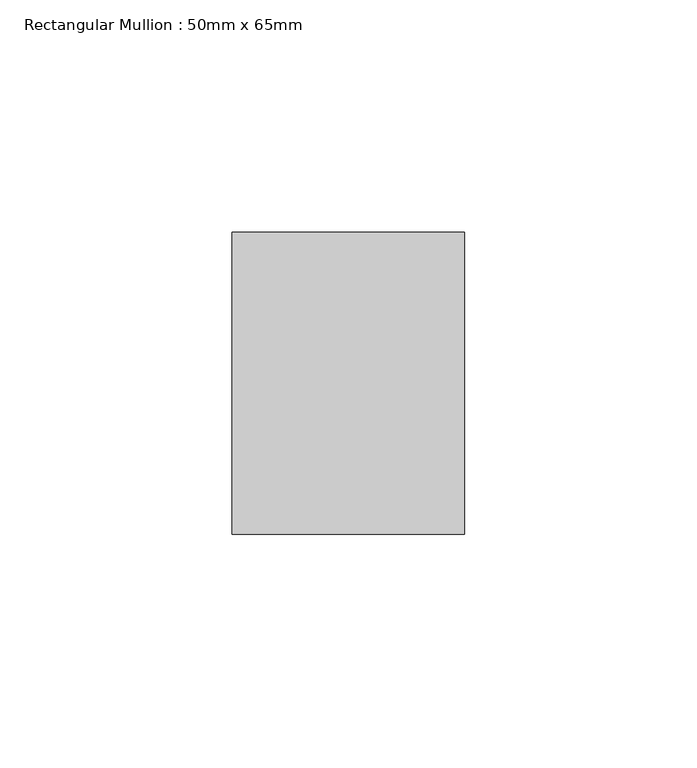
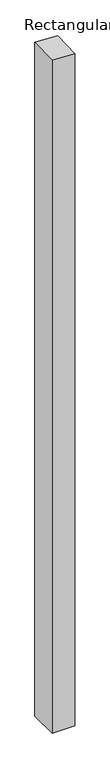
"""IFC4 building model written with IfcOpenShell, lengths in millimetres: member geometry, Rectangular Mullion : 50mm x 65mm."""

from ifc_helpers import new_model, si_unit, origin, place, context, project, spatial, faceted_brep, source, transform, mapped, element, save


def rectangular_mullion_50mm_x_65mm_e3ccd2e0(model_context):
    return source(origin(), model_context, "Body", "Brep", [
        faceted_brep([(25.0, 32.5, -1554.5462511), (25.0, -32.5, -1554.5462511), (-25.0, -32.5, -1554.5462511), (-25.0, 32.5, -1554.5462511), (-25.0, 32.5, 2.1527437), (25.0, 32.5, -0.0780066), (-25.0, -32.5, 0.0780066), (25.0, -32.5, -2.1527437)], [[[0, 1, 2, 3]], [[4, 5, 0, 3]], [[6, 4, 3, 2]], [[7, 6, 2, 1]], [[5, 7, 1, 0]], [[5, 4, 6, 7]]]),
    ])


if __name__ == "__main__":
    model = new_model("IFC4")
    model_context = context("Model", 3, world=origin())
    ifc_project = project(units=[si_unit("LENGTHUNIT", "METRE", prefix="MILLI")], contexts=[model_context])
    site = spatial("IfcSite", under=ifc_project)
    building = spatial("IfcBuilding", under=site)
    placement = place(None, origin())
    rectangular_mullion_50mm_x_65mm_shape = rectangular_mullion_50mm_x_65mm_e3ccd2e0(model_context)
    element("IfcMember", 1, ObjectType="Rectangular Mullion : 50mm x 65mm", at=placement, inside=building, context=model_context, shape_type="MappedRepresentation", body=[
        mapped(rectangular_mullion_50mm_x_65mm_shape, transform((0.0, 0.0, 0.0), x_axis=(1.0, 0.0, 0.0), y_axis=(0.0, 1.0, 0.0), z_axis=(0.0, 0.0, 1.0))),
    ])
    save(model, "model.ifc")
